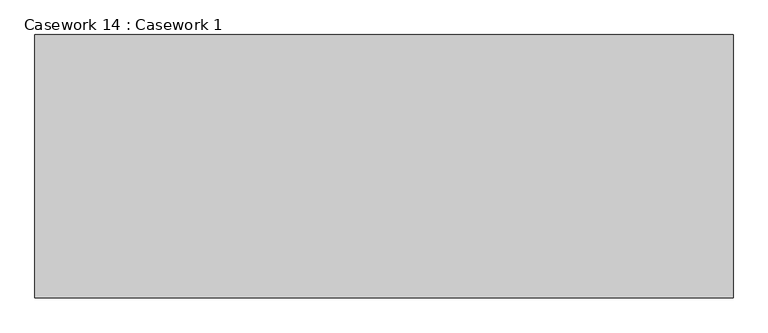
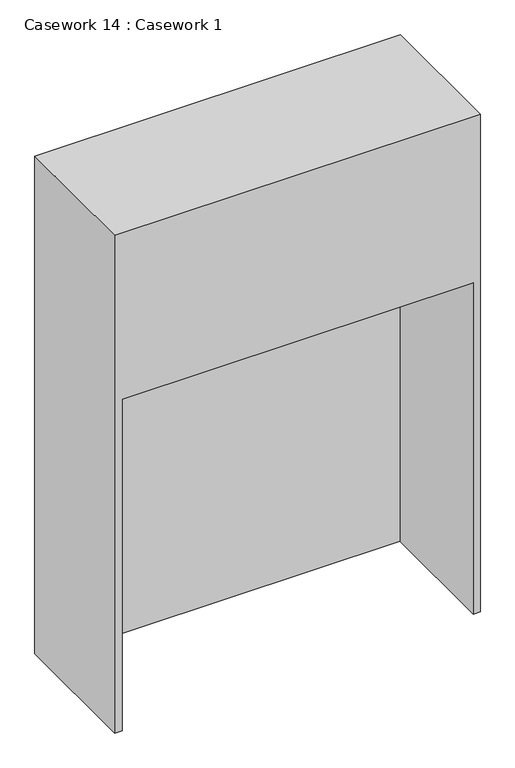
"""IFC4 building model written with IfcOpenShell, lengths in millimetres: furniture geometry, Casework 14 : Casework 1."""

from ifc_helpers import new_model, si_unit, origin, place, context, project, spatial, faceted_brep, source, transform, mapped, element, save


def casework_14_casework_1_7d0c032c(model_context):
    return source(origin(), model_context, "Body", "Brep", [
        faceted_brep([(93752.9696444, -30133.9698457, 70820.0), (91792.2260054, -30133.9698457, 70820.0), (91792.2260054, -30873.4625973, 70820.0), (93752.9696444, -30873.4625973, 70820.0), (93752.9696444, -30133.9698457, 68000.0), (93752.9696444, -30873.4625973, 68000.0), (93716.0151884, -30873.4625973, 68000.0), (93716.0151884, -30193.9698457, 68000.0), (91832.2260054, -30193.9698457, 68000.0), (91832.2260054, -30873.4625973, 68000.0), (91792.2260054, -30873.4625973, 68000.0), (91792.2260054, -30133.9698457, 68000.0), (91832.2260054, -30873.4625973, 69876.5643215), (93716.0151884, -30873.4625973, 69876.5643215), (91832.2260054, -30193.9698457, 69876.5643215), (93716.0151884, -30193.9698457, 69876.5643215)], [[[0, 1, 2, 3]], [[4, 5, 6, 7, 8, 9, 10, 11]], [[1, 0, 4, 11]], [[2, 1, 11, 10]], [[3, 2, 10, 9, 12, 13, 6, 5]], [[0, 3, 5, 4]], [[14, 15, 13, 12]], [[15, 14, 8, 7]], [[14, 12, 9, 8]], [[13, 15, 7, 6]]]),
    ])


if __name__ == "__main__":
    model = new_model("IFC4")
    model_context = context("Model", 3, world=origin())
    ifc_project = project(units=[si_unit("LENGTHUNIT", "METRE", prefix="MILLI")], contexts=[model_context])
    site = spatial("IfcSite", under=ifc_project)
    building = spatial("IfcBuilding", under=site)
    placement = place(None, origin())
    casework_14_casework_1_shape = casework_14_casework_1_7d0c032c(model_context)
    element("IfcFurniture", 1, ObjectType="Casework 14 : Casework 1", at=placement, inside=building, context=model_context, shape_type="MappedRepresentation", body=[
        mapped(casework_14_casework_1_shape, transform((0.0, 0.0, 0.0), x_axis=(1.0, 0.0, 0.0), y_axis=(0.0, 1.0, 0.0), z_axis=(0.0, 0.0, 1.0))),
    ])
    save(model, "model.ifc")
